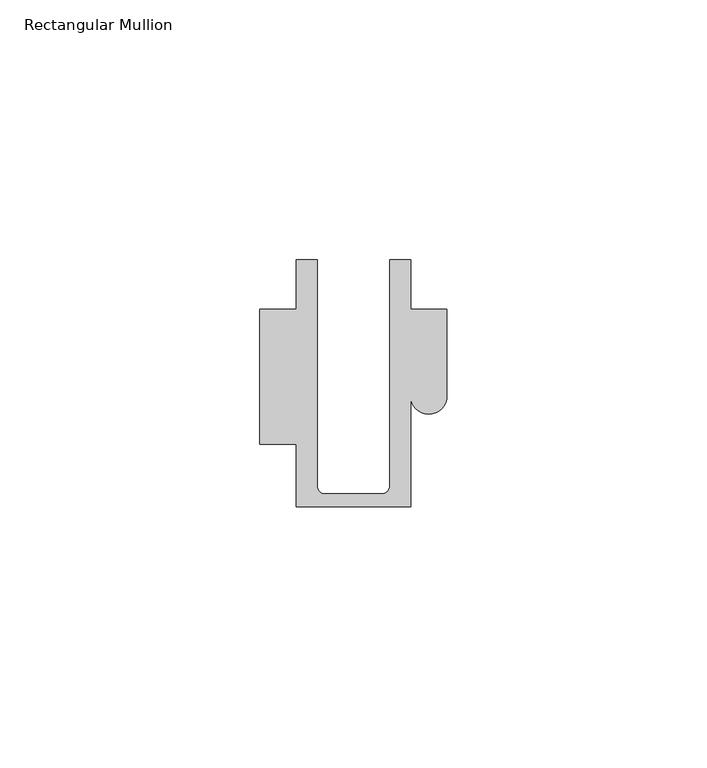
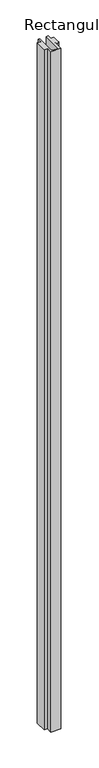
"""IFC4 building model written with IfcOpenShell, lengths in millimetres: member geometry, Rectangular Mullion."""

from ifc_helpers import new_model, si_unit, frame, origin, place, context, project, spatial, polyline, circle_curve, source, transform, mapped, element, save
from ifc_brep_helpers import plane_surface, cylinder_surface, revolved_surface, advanced_brep


def rectangular_mullion_cb34a392(model_context):
    return source(origin(), model_context, "Body", "AdvancedBrep", [
        advanced_brep(
        [(-11.0000151, -27.0, 0.0), (11.001071, -27.0, 0.0), (11.001071, -5.5848769, 0.0), (17.9999091, -5.6750512, 0.0), (17.9999542, 10.9797475, 0.0), (11.0000151, 10.9797475, 0.0), (11.0000151, 20.5, 0.0), (6.9999849, 20.5, 0.0), (6.9999849, -22.9973451, 0.0), (5.4999872, -24.5, 0.0), (-5.4999873, -24.5, 0.0), (-6.9999853, -22.9976091, 0.0), (-6.9999853, 20.5, 0.0), (-10.9999994, 20.5, 0.0), (-10.9999994, 10.9797475, 0.0), (-17.9999542, 10.9797475, 0.0), (-17.9999542, -15.0006281, 0.0), (-11.0000151, -15.0006281, 0.0), (-11.0000151, -27.0, -1568.0001218), (-11.0000151, -15.0006281, -1568.0001218), (-17.9999542, -15.0006281, -1568.0001218), (-17.9999542, 10.9797475, -1568.0001218), (-10.9999994, 10.9797475, -1568.0001218), (-10.9999994, 20.5, -1568.0001218), (-6.9999853, 20.5, -1568.0001218), (-6.9999853, -22.9976091, -1568.0001218), (-5.4999873, -24.5, -1568.0001218), (5.4999872, -24.5, -1568.0001218), (6.9999849, -22.9973451, -1568.0001218), (6.9999849, 20.5, -1568.0001218), (11.0000151, 20.5, -1568.0001218), (11.0000151, 10.9797475, -1568.0001218), (17.9999542, 10.9797475, -1568.0001218), (17.9999542, -5.684606, -1568.0001218), (11.001071, -5.5848769, -1568.0001218), (11.001071, -27.0, -1568.0001218)],
        [
            (0, 1),
            (1, 2),
            (2, 3, circle_curve(frame((14.4999091, -5.6750512, 0.0), z_axis=(0.0, 0.0, 1.0), x_axis=(-0.9999826028573957, 0.005898642432633649, 0.0)), 3.5)),
            (3, 4),
            (4, 5),
            (5, 6),
            (6, 7),
            (7, 8),
            (8, 9, circle_curve(frame((5.4999872, -23.0, 0.0), z_axis=(0.0, 0.0, -1.0), x_axis=(0.9999999999999986, 5.463622857820516e-08, 0.0)), 1.5)),
            (9, 10),
            (10, 11, circle_curve(frame((-5.4999873, -23.0, 0.0), z_axis=(0.0, 0.0, -1.0), x_axis=(2.7320010112268853e-08, -0.9999999999999997, 0.0)), 1.5)),
            (11, 12),
            (12, 13),
            (13, 14),
            (14, 15),
            (15, 16),
            (16, 17),
            (17, 0),
            (18, 19),
            (19, 20),
            (20, 21),
            (21, 22),
            (22, 23),
            (23, 24),
            (24, 25),
            (25, 26, circle_curve(frame((-5.4999873, -23.0, -1568.0001218), z_axis=(0.0, 0.0, 1.0), x_axis=(2.7320010112268853e-08, -0.9999999999999997, 0.0)), 1.5)),
            (26, 27),
            (27, 28, circle_curve(frame((5.4999872, -23.0, -1568.0001218), z_axis=(0.0, 0.0, 1.0), x_axis=(0.9999999999999986, 5.463622857820516e-08, 0.0)), 1.5)),
            (28, 29),
            (29, 30),
            (30, 31),
            (31, 32),
            (32, 33),
            (33, 34, circle_curve(frame((14.4999091, -5.6750512, -1568.0001218), z_axis=(0.0, 0.0, -1.0), x_axis=(-0.9999826028573957, 0.005898642432633649, 0.0)), 3.5)),
            (34, 35),
            (35, 18),
            (0, 18),
            (35, 1),
            (34, 2),
            (33, 3),
            (32, 4),
            (31, 5),
            (30, 6),
            (29, 7),
            (28, 8),
            (27, 9),
            (26, 10),
            (25, 11),
            (24, 12),
            (23, 13),
            (22, 14),
            (21, 15),
            (20, 16),
            (19, 17),
        ],
        [
            plane_surface(frame((0.0, -29.1551636, 0.0), z_axis=(0.0, 0.0, 1.0), x_axis=(-1.0, 0.0, 0.0))),
            plane_surface(frame((0.0, -29.1551636, -1568.0001218), z_axis=(0.0, 0.0, -1.0), x_axis=(-1.0, 0.0, 0.0))),
            plane_surface(frame((-11.0000151, -27.0, 0.0), z_axis=(0.0, -1.0, 0.0), x_axis=(0.0, 0.0, -1.0))),
            plane_surface(frame((11.001071, -27.0, 0.0), z_axis=(1.0, 0.0, 0.0), x_axis=(0.0, 0.0, -1.0))),
            cylinder_surface(frame((14.4999091, -5.6750512, 0.0), z_axis=(0.0, 0.0, 1.0), x_axis=(-0.9999826028573957, 0.005898642432633649, 0.0)), 3.5),
            plane_surface(frame((17.9999542, -5.684606, 0.0), z_axis=(1.0, 0.0, 0.0), x_axis=(0.0, 0.0, -1.0))),
            plane_surface(frame((17.9999542, 10.9797475, 0.0), z_axis=(0.0, 1.0, 0.0), x_axis=(0.0, 0.0, -1.0))),
            plane_surface(frame((11.0000151, 10.9797475, 0.0), z_axis=(1.0, 0.0, 0.0), x_axis=(0.0, 0.0, -1.0))),
            plane_surface(frame((11.0000151, 20.5, 0.0), z_axis=(0.0, 1.0, 0.0), x_axis=(0.0, 0.0, -1.0))),
            plane_surface(frame((6.9999849, 20.5, 0.0), z_axis=(-1.0, 0.0, 0.0), x_axis=(0.0, 0.0, -1.0))),
            revolved_surface(polyline([(6.999987199999998, -22.999999918045656, -1568.0001218), (6.999987199999998, -22.999999918045656, 0.0)]), (5.4999872, -23.0, 0.0), (0.0, 0.0, -1.0)),
            plane_surface(frame((5.4999872, -24.5, 0.0), z_axis=(0.0, 1.0, 0.0), x_axis=(0.0, 0.0, -1.0))),
            revolved_surface(polyline([(-5.499987259019985, -24.5, -1568.0001218), (-5.499987259019985, -24.5, 0.0)]), (-5.4999873, -23.0, 0.0), (0.0, 0.0, -1.0)),
            plane_surface(frame((-6.9999853, -22.9976091, 0.0), z_axis=(1.0, 0.0, 0.0), x_axis=(0.0, 0.0, -1.0))),
            plane_surface(frame((-6.9999853, 20.5, 0.0), z_axis=(0.0, 1.0, 0.0), x_axis=(0.0, 0.0, -1.0))),
            plane_surface(frame((-10.9999994, 20.5, 0.0), z_axis=(-1.0, 0.0, 0.0), x_axis=(0.0, 0.0, -1.0))),
            plane_surface(frame((-10.9999994, 10.9797475, 0.0), z_axis=(0.0, 1.0, 0.0), x_axis=(0.0, 0.0, -1.0))),
            plane_surface(frame((-17.9999542, 10.9797475, 0.0), z_axis=(-1.0, 0.0, 0.0), x_axis=(0.0, 0.0, -1.0))),
            plane_surface(frame((-17.9999542, -15.0006281, 0.0), z_axis=(0.0, -1.0, 0.0), x_axis=(0.0, 0.0, -1.0))),
            plane_surface(frame((-11.0000151, -15.0006281, 0.0), z_axis=(-1.0, 0.0, 0.0), x_axis=(0.0, 0.0, -1.0))),
        ],
        [
            (0, [[1, 2, 3, 4, 5, 6, 7, 8, 9, 10, 11, 12, 13, 14, 15, 16, 17, 18]]),
            (1, [[19, 20, 21, 22, 23, 24, 25, 26, 27, 28, 29, 30, 31, 32, 33, 34, 35, 36]]),
            (2, [[-1, 37, -36, 38]]),
            (3, [[-2, -38, -35, 39]]),
            (4, [[-3, -39, -34, 40]]),
            (5, [[-4, -40, -33, 41]]),
            (6, [[-5, -41, -32, 42]]),
            (7, [[-6, -42, -31, 43]]),
            (8, [[-7, -43, -30, 44]]),
            (9, [[-8, -44, -29, 45]]),
            (10, [[-9, -45, -28, 46]]),
            (11, [[-10, -46, -27, 47]]),
            (12, [[-11, -47, -26, 48]]),
            (13, [[-12, -48, -25, 49]]),
            (14, [[-13, -49, -24, 50]]),
            (15, [[-14, -50, -23, 51]]),
            (16, [[-15, -51, -22, 52]]),
            (17, [[-16, -52, -21, 53]]),
            (18, [[-17, -53, -20, 54]]),
            (19, [[-18, -54, -19, -37]]),
        ],
    ),
    ])


if __name__ == "__main__":
    model = new_model("IFC4")
    model_context = context("Model", 3, world=origin())
    ifc_project = project(units=[si_unit("LENGTHUNIT", "METRE", prefix="MILLI")], contexts=[model_context])
    site = spatial("IfcSite", under=ifc_project)
    building = spatial("IfcBuilding", under=site)
    placement = place(None, origin())
    rectangular_mullion_shape = rectangular_mullion_cb34a392(model_context)
    element("IfcMember", 1, ObjectType="Rectangular Mullion", at=placement, inside=building, context=model_context, shape_type="MappedRepresentation", body=[
        mapped(rectangular_mullion_shape, transform((0.0, 0.0, 0.0), x_axis=(1.0, 0.0, 0.0), y_axis=(0.0, 1.0, 0.0), z_axis=(0.0, 0.0, 1.0))),
    ])
    save(model, "model.ifc")
